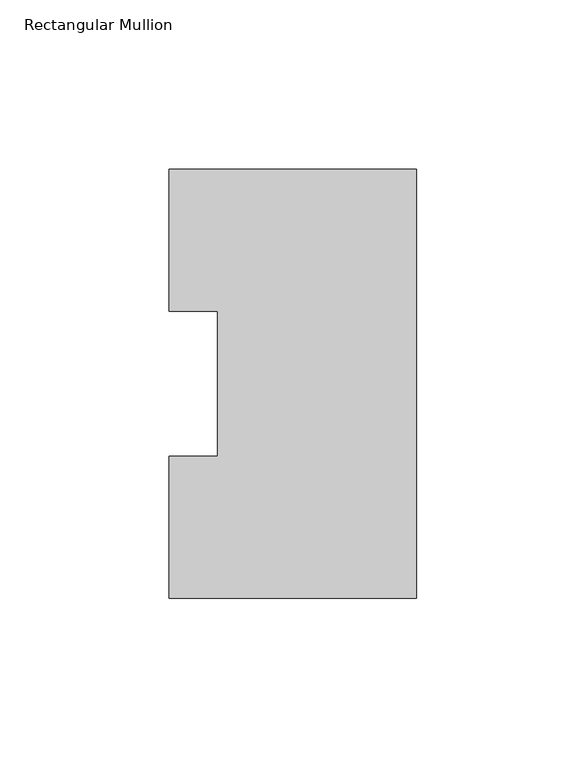
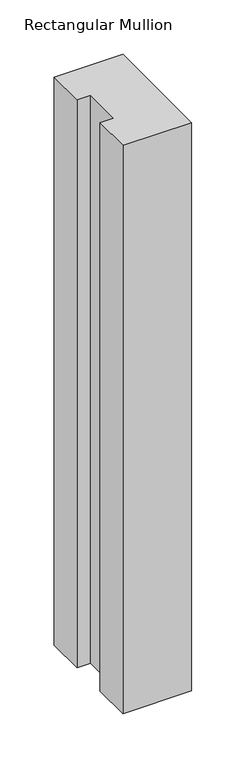
"""IFC4 building model written with IfcOpenShell, lengths in millimetres: member geometry, Rectangular Mullion."""

from ifc_helpers import new_model, si_unit, frame, origin, place, context, project, spatial, polyline, outline, extrude, source, transform, mapped, element, save


def rectangular_mullion_6cc18227(model_context):
    return source(origin(), model_context, "Body", "SweptSolid", [
        extrude(outline(polyline([(0.0, 126.75235), (0.0, 0.26035), (-73.025, 0.26035), (-73.025, 42.08145), (-58.7375, 42.08145), (-58.7375, 84.93125), (-73.025, 84.93125), (-73.025, 126.75235), (0.0, 126.75235)])), frame((0.0, 0.0, -638.175), z_axis=(0.0, 0.0, 1.0), x_axis=(1.0, 0.0, 0.0)), (0.0, 0.0, 1.0), 638.175),
    ])


if __name__ == "__main__":
    model = new_model("IFC4")
    model_context = context("Model", 3, world=origin())
    ifc_project = project(units=[si_unit("LENGTHUNIT", "METRE", prefix="MILLI")], contexts=[model_context])
    site = spatial("IfcSite", under=ifc_project)
    building = spatial("IfcBuilding", under=site)
    placement = place(None, origin())
    rectangular_mullion_shape = rectangular_mullion_6cc18227(model_context)
    element("IfcMember", 1, ObjectType="Rectangular Mullion", at=placement, inside=building, context=model_context, shape_type="MappedRepresentation", body=[
        mapped(rectangular_mullion_shape, transform((0.0, 0.0, 0.0), x_axis=(1.0, 0.0, 0.0), y_axis=(0.0, 1.0, 0.0), z_axis=(0.0, 0.0, 1.0))),
    ])
    save(model, "model.ifc")
